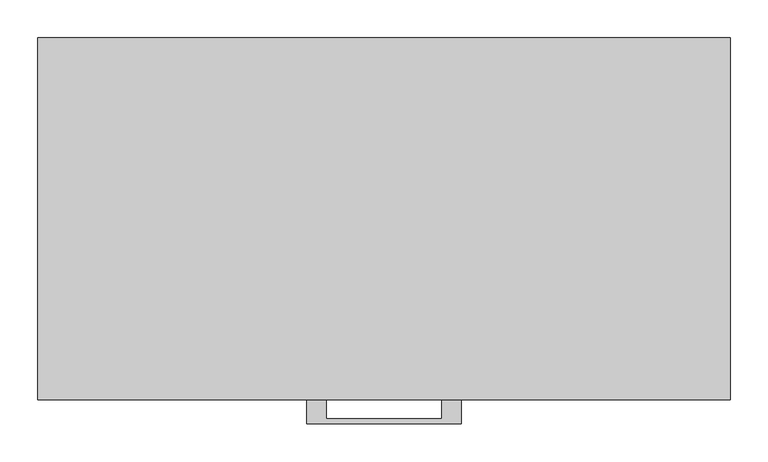
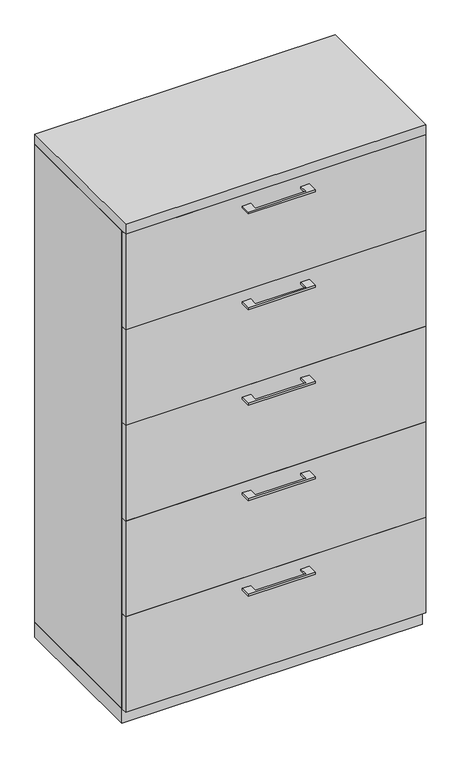
"""IFC4 building model written with IfcOpenShell, lengths in millimetres: furniture geometry."""

from ifc_helpers import new_model, si_unit, frame, origin, origin_with_axes, place, context, project, spatial, polyline, outline, extrude, source, transform, mapped, element, save


def furniture_3e3f9a09(model_context):
    return source(origin(), model_context, "Body", "SweptSolid", [
        extrude(outline(polyline([(-76.1999818, -476.25), (-76.1999818, -501.6499758), (76.2, -501.6499758), (76.2, -476.25), (101.5999939, -476.25), (101.5999939, -507.9999879), (-101.5999939, -507.9999879), (-101.5999939, -476.25), (-76.1999818, -476.25)])), frame((0.0, 0.0, 1541.4625506), z_axis=(0.0, 0.0, 1.0), x_axis=(1.0, 0.0, 0.0)), (0.0, 0.0, 1.0), 6.3499758),
        extrude(outline(polyline([(455.6125, -457.2), (455.6125, -476.25), (-455.6125, -476.25), (-455.6125, -457.2), (455.6125, -457.2)])), frame((0.0, 0.0, 1274.445), z_axis=(0.0, 0.0, 1.0), x_axis=(1.0, 0.0, 0.0)), (0.0, 0.0, 1.0), 306.705),
        extrude(outline(polyline([(-76.1999818, -476.25), (-76.1999818, -501.6499758), (76.2, -501.6499758), (76.2, -476.25), (101.5999939, -476.25), (101.5999939, -507.9999879), (-101.5999939, -507.9999879), (-101.5999939, -476.25), (-76.1999818, -476.25)])), frame((0.0, 0.0, 1234.7575506), z_axis=(0.0, 0.0, 1.0), x_axis=(1.0, 0.0, 0.0)), (0.0, 0.0, 1.0), 6.3499758),
        extrude(outline(polyline([(455.6125, -457.2), (455.6125, -476.25), (-455.6125, -476.25), (-455.6125, -457.2), (455.6125, -457.2)])), frame((0.0, 0.0, 967.74), z_axis=(0.0, 0.0, 1.0), x_axis=(1.0, 0.0, 0.0)), (0.0, 0.0, 1.0), 306.705),
        extrude(outline(polyline([(-76.1999818, -476.25), (-76.1999818, -501.6499758), (76.2, -501.6499758), (76.2, -476.25), (101.5999939, -476.25), (101.5999939, -507.9999879), (-101.5999939, -507.9999879), (-101.5999939, -476.25), (-76.1999818, -476.25)])), frame((0.0, 0.0, 928.0525506), z_axis=(0.0, 0.0, 1.0), x_axis=(1.0, 0.0, 0.0)), (0.0, 0.0, 1.0), 6.3499758),
        extrude(outline(polyline([(455.6125, -457.2), (455.6125, -476.25), (-455.6125, -476.25), (-455.6125, -457.2), (455.6125, -457.2)])), frame((0.0, 0.0, 661.035), z_axis=(0.0, 0.0, 1.0), x_axis=(1.0, 0.0, 0.0)), (0.0, 0.0, 1.0), 306.705),
        extrude(outline(polyline([(-76.1999818, -476.25), (-76.1999818, -501.6499758), (76.2, -501.6499758), (76.2, -476.25), (101.5999939, -476.25), (101.5999939, -507.9999879), (-101.5999939, -507.9999879), (-101.5999939, -476.25), (-76.1999818, -476.25)])), frame((0.0, 0.0, 621.3475506), z_axis=(0.0, 0.0, 1.0), x_axis=(1.0, 0.0, 0.0)), (0.0, 0.0, 1.0), 6.3499758),
        extrude(outline(polyline([(455.6125, -457.2), (455.6125, -476.25), (-455.6125, -476.25), (-455.6125, -457.2), (455.6125, -457.2)])), frame((0.0, 0.0, 354.33), z_axis=(0.0, 0.0, 1.0), x_axis=(1.0, 0.0, 0.0)), (0.0, 0.0, 1.0), 306.705),
        extrude(outline(polyline([(-76.1999818, -476.25), (-76.1999818, -501.6499758), (76.2, -501.6499758), (76.2, -476.25), (101.5999939, -476.25), (101.5999939, -507.9999879), (-101.5999939, -507.9999879), (-101.5999939, -476.25), (-76.1999818, -476.25)])), frame((0.0, 0.0, 314.6425506), z_axis=(0.0, 0.0, 1.0), x_axis=(1.0, 0.0, 0.0)), (0.0, 0.0, 1.0), 6.3499758),
        extrude(outline(polyline([(455.6125, -457.2), (455.6125, -476.25), (-455.6125, -476.25), (-455.6125, -457.2), (455.6125, -457.2)])), frame((0.0, 0.0, 47.625), z_axis=(0.0, 0.0, 1.0), x_axis=(1.0, 0.0, 0.0)), (0.0, 0.0, 1.0), 306.705),
        extrude(outline(polyline([(455.6125, 0.0), (455.6125, -457.2), (-455.6125, -457.2), (-455.6125, 0.0), (455.6125, 0.0)])), origin_with_axes(), (0.0, 0.0, 1.0), 47.625),
        extrude(outline(polyline([(455.6125, 0.0), (455.6125, -476.25), (-455.6125, -476.25), (-455.6125, 0.0), (455.6125, 0.0)])), frame((0.0, 0.0, 1581.15), z_axis=(0.0, 0.0, 1.0), x_axis=(1.0, 0.0, 0.0)), (0.0, 0.0, 1.0), 31.75),
        extrude(outline(polyline([(455.6125, 0.0), (455.6125, -457.2), (436.5625, -457.2), (436.5625, -19.05), (-436.5625, -19.05), (-436.5625, -457.2), (-455.6125, -457.2), (-455.6125, 0.0), (455.6125, 0.0)])), frame((0.0, 0.0, 47.625), z_axis=(0.0, 0.0, 1.0), x_axis=(1.0, 0.0, 0.0)), (0.0, 0.0, 1.0), 1533.525),
    ])


if __name__ == "__main__":
    model = new_model("IFC4")
    model_context = context("Model", 3, world=origin())
    ifc_project = project(units=[si_unit("LENGTHUNIT", "METRE", prefix="MILLI")], contexts=[model_context])
    site = spatial("IfcSite", under=ifc_project)
    building = spatial("IfcBuilding", under=site)
    placement = place(None, origin())
    furniture_shape = furniture_3e3f9a09(model_context)
    element("IfcFurniture", 1, at=placement, inside=building, context=model_context, shape_type="MappedRepresentation", body=[
        mapped(furniture_shape, transform((0.0, 0.0, 0.0), x_axis=(1.0, 0.0, 0.0), y_axis=(0.0, 1.0, 0.0), z_axis=(0.0, 0.0, 1.0))),
    ])
    save(model, "model.ifc")
